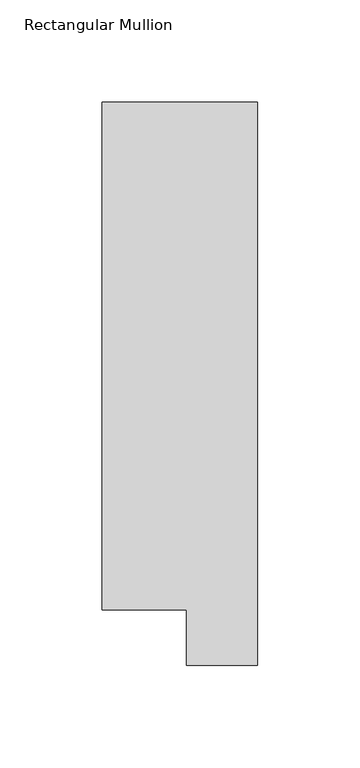
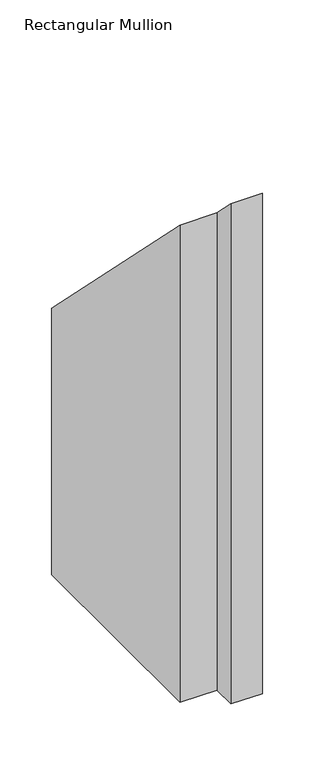
"""IFC4 building model written with IfcOpenShell, lengths in millimetres: member geometry, Rectangular Mullion."""

from ifc_helpers import new_model, si_unit, origin, place, context, project, spatial, faceted_brep, source, transform, mapped, element, save


def rectangular_mullion_e5295d99(model_context):
    return source(origin(), model_context, "Body", "Brep", [
        faceted_brep([(0.0, 295.1821312, -609.6), (0.0, 19.5667313, -609.6), (-34.9123, 19.5667313, -609.6), (-34.9123, 46.7447302, -609.6), (-76.2, 46.7447302, -609.6), (-76.2, 295.1821312, -609.6), (-76.2, 295.1821312, -295.1821312), (0.0, 295.1821312, -295.1821312), (-76.2, 46.7447302, -46.7447302), (-34.9123, 46.7447302, -46.7447302), (-34.9123, 19.5667313, -19.5667313), (0.0, 19.5667313, -19.5667313)], [[[0, 1, 2, 3, 4, 5]], [[6, 7, 0, 5]], [[8, 6, 5, 4]], [[9, 8, 4, 3]], [[10, 9, 3, 2]], [[11, 10, 2, 1]], [[7, 11, 1, 0]], [[7, 6, 8, 9, 10, 11]]]),
    ])


if __name__ == "__main__":
    model = new_model("IFC4")
    model_context = context("Model", 3, world=origin())
    ifc_project = project(units=[si_unit("LENGTHUNIT", "METRE", prefix="MILLI")], contexts=[model_context])
    site = spatial("IfcSite", under=ifc_project)
    building = spatial("IfcBuilding", under=site)
    placement = place(None, origin())
    rectangular_mullion_shape = rectangular_mullion_e5295d99(model_context)
    element("IfcMember", 1, ObjectType="Rectangular Mullion", at=placement, inside=building, context=model_context, shape_type="MappedRepresentation", body=[
        mapped(rectangular_mullion_shape, transform((0.0, 0.0, 0.0), x_axis=(1.0, 0.0, 0.0), y_axis=(0.0, 1.0, 0.0), z_axis=(0.0, 0.0, 1.0))),
    ])
    save(model, "model.ifc")
